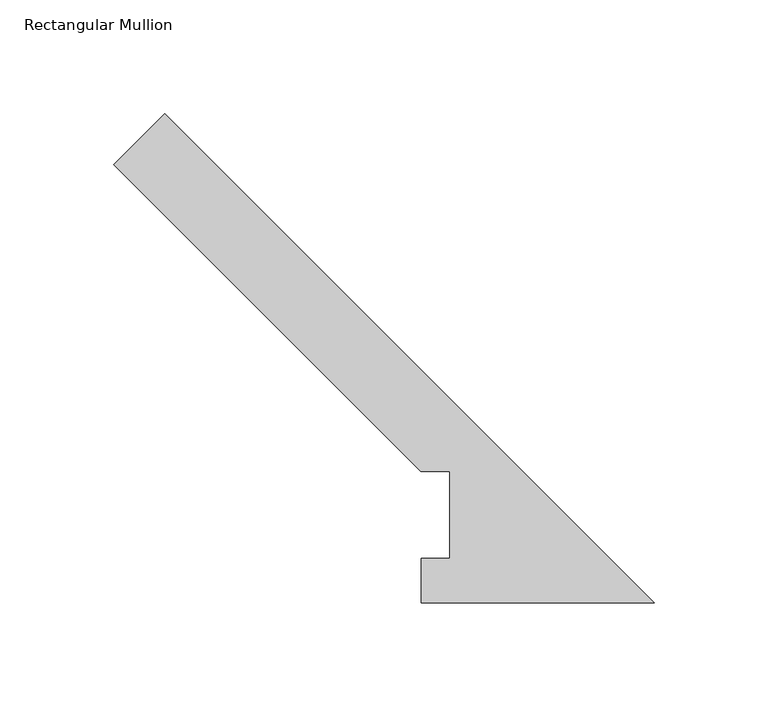
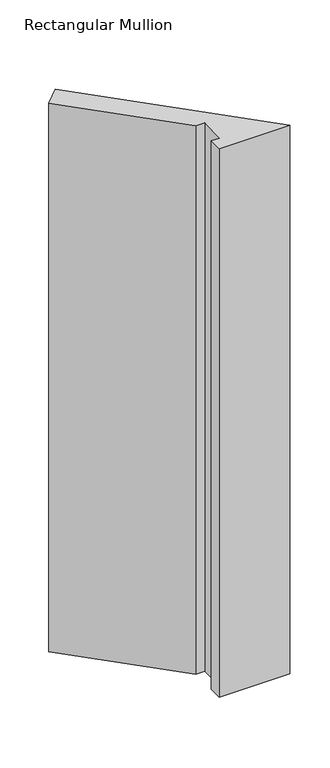
"""IFC4 building model written with IfcOpenShell, lengths in millimetres: member geometry, Rectangular Mullion."""

from ifc_helpers import new_model, si_unit, frame, origin, place, context, project, spatial, polyline, outline, extrude, source, transform, mapped, element, save


def rectangular_mullion_f60e0f1a(model_context):
    return source(origin(), model_context, "Body", "SweptSolid", [
        extrude(outline(polyline([(-237.2434886, 192.3499356), (-214.7928483, 214.8005759), (0.0, 0.0077275), (-102.1557194, 0.0077275), (-102.1557194, 19.5403275), (-89.8396468, 19.5403275), (-89.8396468, 57.6460938), (-102.5396468, 57.6460938), (-237.2434886, 192.3499356)])), frame((0.0, 0.0, -838.2), z_axis=(0.0, 0.0, 1.0), x_axis=(1.0, 0.0, 0.0)), (0.0, 0.0, 1.0), 838.2),
    ])


if __name__ == "__main__":
    model = new_model("IFC4")
    model_context = context("Model", 3, world=origin())
    ifc_project = project(units=[si_unit("LENGTHUNIT", "METRE", prefix="MILLI")], contexts=[model_context])
    site = spatial("IfcSite", under=ifc_project)
    building = spatial("IfcBuilding", under=site)
    placement = place(None, origin())
    rectangular_mullion_shape = rectangular_mullion_f60e0f1a(model_context)
    element("IfcMember", 1, ObjectType="Rectangular Mullion", at=placement, inside=building, context=model_context, shape_type="MappedRepresentation", body=[
        mapped(rectangular_mullion_shape, transform((0.0, 0.0, 0.0), x_axis=(1.0, 0.0, 0.0), y_axis=(0.0, 1.0, 0.0), z_axis=(0.0, 0.0, 1.0))),
    ])
    save(model, "model.ifc")
